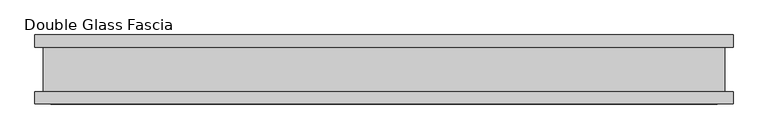
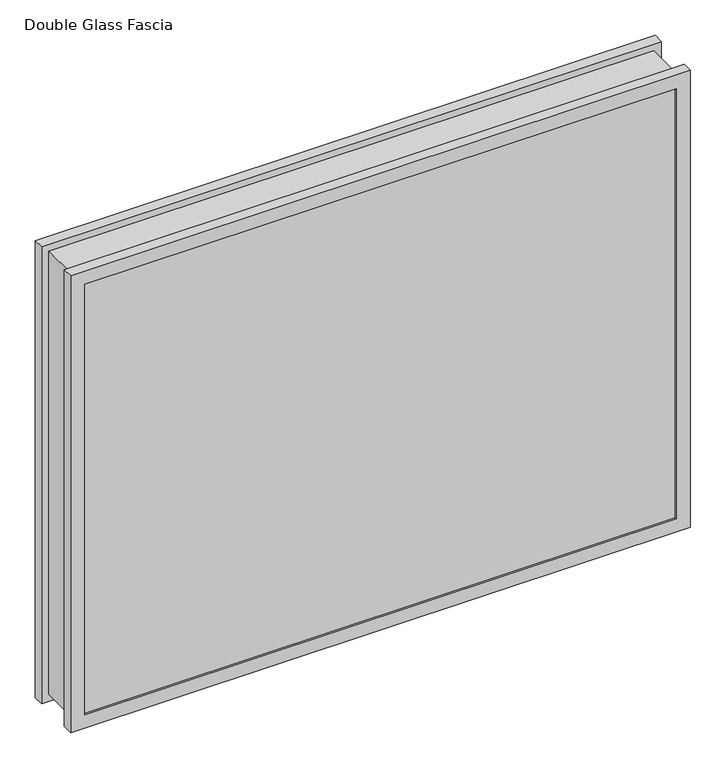
"""IFC4 building model written with IfcOpenShell, lengths in millimetres: proxy geometry, Double Glass Fascia."""

import ifcopenshell
import ifcopenshell.guid

model = None  # the IFC model being written
_history = None  # IfcOwnerHistory: only IFC2X3 demands one
_inside = {}  # id of a spatial element -> (the spatial element, [elements in it])
_under = {}  # id of a project, library or spatial element -> (it, [spatial elements below it])
_declared = {}  # id of a project -> (the project, [libraries it declares])
_typed = {}  # id of a type object -> (the type object, [elements of that type])
_made_of = {}  # id of a material, layer set ... -> (it, [elements and type objects made of it])


def new_model(schema):
    """Start an empty IFC model of exactly this schema.

    Asked for "IFC4X3", IfcOpenShell would pick the latest addendum, in which some entities
    have other attributes; the version numbers below select the first issue.
    IFC2X3 requires an IfcOwnerHistory on every rooted entity: one is made here for all.
    """
    global model, _history
    if schema == "IFC4X3":
        model = ifcopenshell.file(schema_version=(4, 3, 0, 0))
    else:
        model = ifcopenshell.file(schema=schema)
    _inside.clear()
    _under.clear()
    _declared.clear()
    _typed.clear()
    _made_of.clear()
    _history = None
    if model.schema == "IFC2X3":
        org = make("IfcOrganization", Name="unknown")
        user = make(
            "IfcPersonAndOrganization",
            ThePerson=make("IfcPerson", FamilyName="unknown"),
            TheOrganization=org,
        )
        app = make(
            "IfcApplication",
            ApplicationDeveloper=org,
            Version="unknown",
            ApplicationFullName="unknown",
            ApplicationIdentifier="unknown",
        )
        _history = make(
            "IfcOwnerHistory",
            OwningUser=user,
            OwningApplication=app,
            ChangeAction="ADDED",
            CreationDate=0,
        )
    return model


def make(cls, **values):
    """One entity of the class cls with the attributes given. An attribute that is None is left unset."""
    return model.create_entity(
        cls, **{name: value for name, value in values.items() if value is not None}
    )


def rooted(cls, **values):
    """An entity with a GlobalId (a new one), such as an element, a storey or a relation."""
    return make(cls, GlobalId=ifcopenshell.guid.new(), OwnerHistory=_history, **values)


def si_unit(unit_type, name, prefix=None):
    """IfcSIUnit, for example si_unit("LENGTHUNIT", "METRE", prefix="MILLI")."""
    return make("IfcSIUnit", UnitType=unit_type, Prefix=prefix, Name=name)


def assignment(units):
    """IfcUnitAssignment: the units of a project."""
    return None if units is None else make("IfcUnitAssignment", Units=units)


def point(xyz):
    """IfcCartesianPoint."""
    return None if xyz is None else make("IfcCartesianPoint", Coordinates=xyz)


def direction(xyz):
    """IfcDirection."""
    return None if xyz is None else make("IfcDirection", DirectionRatios=xyz)


def frame(location, z_axis=None, x_axis=None):
    """IfcAxis2Placement3D, a coordinate frame: its origin and axes. An axis left out is left unset."""
    return make(
        "IfcAxis2Placement3D",
        Location=point(location),
        Axis=direction(z_axis),
        RefDirection=direction(x_axis),
    )


def origin():
    """The frame at (0, 0, 0) with its axes left unset."""
    return frame((0.0, 0.0, 0.0))


def place(relative_to, where):
    """IfcLocalPlacement: puts the frame where relative to a parent placement (None: the world)."""
    return make(
        "IfcLocalPlacement", PlacementRelTo=relative_to, RelativePlacement=where
    )


def context(
    kind, dimensions, precision=None, world=None, true_north=None, identifier=None
):
    """IfcGeometricRepresentationContext, for example the 3D "Model" context."""
    return make(
        "IfcGeometricRepresentationContext",
        ContextIdentifier=identifier,
        ContextType=kind,
        CoordinateSpaceDimension=dimensions,
        Precision=precision,
        WorldCoordinateSystem=world,
        TrueNorth=true_north,
    )


def project(units=None, contexts=None):
    """IfcProject with its units and contexts."""
    return rooted(
        "IfcProject",
        Name="project",
        RepresentationContexts=contexts,
        UnitsInContext=assignment(units),
    )


def spatial(cls, under=None, at=None, **own):
    """A site, building, storey or space (cls), placed at a placement, below another one or the project."""
    s = rooted(cls, ObjectPlacement=at, **own)
    if under is not None:
        _under.setdefault(under.id(), (under, []))[1].append(s)
    return s


def polyline(points):
    """IfcPolyline through the points."""
    return make("IfcPolyline", Points=[point(p) for p in points])


def outline(outer, holes=None, kind="AREA"):
    """IfcArbitraryClosedProfileDef: a profile drawn as a closed curve; with holes, ...WithVoids."""
    if holes is None:
        return make("IfcArbitraryClosedProfileDef", ProfileType=kind, OuterCurve=outer)
    return make(
        "IfcArbitraryProfileDefWithVoids",
        ProfileType=kind,
        OuterCurve=outer,
        InnerCurves=holes,
    )


def extrude(swept, where, along, depth):
    """IfcExtrudedAreaSolid: the profile swept, set in the frame where, extruded along a direction by depth."""
    return make(
        "IfcExtrudedAreaSolid",
        SweptArea=swept,
        Position=where,
        ExtrudedDirection=direction(along),
        Depth=depth,
    )


def faces_of(points, faces, orient=None, outer=None):
    """IfcFace entities. A face is a list of loops; a loop is a list of indices into points, from 0.

    orient and outer hold one flag for each loop. By default every Orientation is true, the
    first loop of a face is its IfcFaceOuterBound and the others are IfcFaceBound.
    """
    made = []
    for i, loops in enumerate(faces):
        bounds = []
        for j, loop in enumerate(loops):
            is_outer = j == 0 if outer is None else outer[i][j]
            bounds.append(
                make(
                    "IfcFaceOuterBound" if is_outer else "IfcFaceBound",
                    Bound=make("IfcPolyLoop", Polygon=[points[k] for k in loop]),
                    Orientation=True if orient is None else orient[i][j],
                )
            )
        made.append(make("IfcFace", Bounds=bounds))
    return made


def faceted_brep(points, faces, orient=None, outer=None, voids=None):
    """IfcFacetedBrep: a solid bounded by flat faces; with voids (closed shells), ...WithVoids."""
    shared = [point(p) for p in points]
    hull = make("IfcClosedShell", CfsFaces=faces_of(shared, faces, orient, outer))
    if voids is None:
        return make("IfcFacetedBrep", Outer=hull)
    return make(
        "IfcFacetedBrepWithVoids",
        Outer=hull,
        Voids=[
            make(cls, CfsFaces=faces_of(shared, fs, o, b)) for cls, fs, o, b in voids
        ],
    )


def shape(context_of_items, identifier, shape_type, items):
    """IfcShapeRepresentation: the items that make up one representation, for example the "Body"."""
    return make(
        "IfcShapeRepresentation",
        ContextOfItems=context_of_items,
        RepresentationIdentifier=identifier,
        RepresentationType=shape_type,
        Items=items,
    )


def source(mapping_origin, context_of_items, identifier, shape_type, items):
    """IfcRepresentationMap: a shape defined once, which mapped items show again and again."""
    return make(
        "IfcRepresentationMap",
        MappingOrigin=mapping_origin,
        MappedRepresentation=shape(context_of_items, identifier, shape_type, items),
    )


def transform(
    local_origin,
    x_axis=None,
    y_axis=None,
    z_axis=None,
    scale=None,
    scale2=None,
    scale3=None,
    uniform=True,
):
    """IfcCartesianTransformationOperator3D, or its non-uniform kind. x_axis, y_axis, z_axis: its Axis1, 2, 3."""
    if uniform:
        return make(
            "IfcCartesianTransformationOperator3D",
            Axis1=direction(x_axis),
            Axis2=direction(y_axis),
            LocalOrigin=point(local_origin),
            Scale=scale,
            Axis3=direction(z_axis),
        )
    return make(
        "IfcCartesianTransformationOperator3DnonUniform",
        Axis1=direction(x_axis),
        Axis2=direction(y_axis),
        LocalOrigin=point(local_origin),
        Scale=scale,
        Axis3=direction(z_axis),
        Scale2=scale2,
        Scale3=scale3,
    )


def mapped(mapping_source, mapping_target):
    """IfcMappedItem: shows the shape of a source again, moved by a transform."""
    return make(
        "IfcMappedItem", MappingSource=mapping_source, MappingTarget=mapping_target
    )


def made_of(thing, what):
    """Note that an element or type object is made of a material, layer set ...; save() writes the relation."""
    if what is not None:
        _made_of.setdefault(what.id(), (what, []))[1].append(thing)
    return thing


def element(
    cls,
    number,
    at=None,
    inside=None,
    cuts=None,
    type_object=None,
    material=None,
    context=None,
    identifier="Body",
    shape_type=None,
    held_by="IfcProductDefinitionShape",
    body=None,
    shapes=None,
    **own,
):
    """One element of the class cls, such as IfcWall. Its Tag is "e" and its number.

    at: its placement. inside: the storey or other place that contains it. cuts: it is an
    opening in that element (IfcRelVoidsElement). A single representation is given by context,
    identifier, shape_type and body (its items); several are given by shapes. held_by: the class
    of the entity that holds the representations. save() writes the other relations.
    """
    e = rooted(cls, Tag="e%d" % number, ObjectPlacement=at, **own)
    if body is not None:
        shapes = [shape(context, identifier, shape_type, body)]
    if shapes is not None:
        e.Representation = make(held_by, Representations=shapes)
    if inside is not None:
        _inside.setdefault(inside.id(), (inside, []))[1].append(e)
    if cuts is not None:
        rooted(
            "IfcRelVoidsElement", RelatingBuildingElement=cuts, RelatedOpeningElement=e
        )
    if type_object is not None:
        _typed.setdefault(type_object.id(), (type_object, []))[1].append(e)
    return made_of(e, material)


def aggregate(whole, parts):
    """IfcRelAggregates: a whole, such as a stair, and the parts it consists of."""
    return rooted("IfcRelAggregates", RelatingObject=whole, RelatedObjects=parts)


def save(model, path):
    """Write the relations noted so far, then the file.

    IfcRelAggregates (storeys below a building ...), IfcRelContainedInSpatialStructure (elements
    in a storey), IfcRelDefinesByType, IfcRelAssociatesMaterial and IfcRelDeclares: one each for
    every whole, place, type object, material and project.
    """
    for whole, parts in _under.values():
        aggregate(whole, parts)
    for where, things in _inside.values():
        rooted(
            "IfcRelContainedInSpatialStructure",
            RelatedElements=things,
            RelatingStructure=where,
        )
    for kind, things in _typed.values():
        rooted("IfcRelDefinesByType", RelatedObjects=things, RelatingType=kind)
    for what, things in _made_of.values():
        rooted("IfcRelAssociatesMaterial", RelatedObjects=things, RelatingMaterial=what)
    for by, libraries in _declared.values():
        rooted("IfcRelDeclares", RelatingContext=by, RelatedDefinitions=libraries)
    model.write(path)


def double_glass_fascia_690a2571(model_context):
    return source(origin(), model_context, "Body", "SolidModel", [
        faceted_brep([(494.2640848, -32.4352299, 780.4920849), (494.2640848, -32.4352299, 15.0359151), (494.2640848, 32.4352299, 15.0359151), (494.2640848, 32.4352299, 780.4920849), (-494.2640848, -32.4352299, 15.0359151), (-494.2640848, 32.4352299, 15.0359151), (-494.2640848, -32.4352299, 780.4920849), (-494.2640848, 32.4352299, 780.4920849), (483.0871999, 38.8962152, 769.3152), (483.0871999, 38.8962152, 26.2128), (483.0871999, -38.8962152, 26.2128), (483.0871999, -38.8962152, 769.3152), (499.8218392, 47.1322551, 786.0498392), (499.8218392, 47.1322551, 9.4781608), (499.8218392, 38.8962152, 9.4781608), (499.8218392, 38.8962152, 786.0498392), (482.9093999, 50.0558594, 769.1374), (482.9093999, 50.0558594, 26.3906), (482.9093999, 47.1322551, 26.3906), (482.9093999, 47.1322551, 769.1374), (506.1249999, 32.4352299, 792.353), (506.1249999, 32.4352299, 3.175), (506.1249999, 50.0558594, 3.175), (506.1249999, 50.0558594, 792.353), (-483.0871999, 38.8962152, 26.2128), (-483.0871999, -38.8962152, 26.2128), (-499.8218392, 47.1322551, 9.4781608), (-499.8218392, 38.8962152, 9.4781608), (-482.9093999, 50.0558594, 26.3906), (-482.9093999, 47.1322551, 26.3906), (-506.1249999, 32.4352299, 3.175), (-506.1249999, 50.0558594, 3.175), (-483.0871999, 38.8962152, 769.3152), (-483.0871999, -38.8962152, 769.3152), (-499.8218392, 47.1322551, 786.0498392), (-499.8218392, 38.8962152, 786.0498392), (-482.9093999, 50.0558594, 769.1374), (-482.9093999, 47.1322551, 769.1374), (-506.1249999, 32.4352299, 792.353), (-506.1249999, 50.0558594, 792.353), (506.1249999, -50.0558594, 792.353), (506.1249999, -50.0558594, 3.175), (506.1249999, -32.4352299, 3.175), (506.1249999, -32.4352299, 792.353), (483.0871999, -47.1322551, 769.3152), (483.0871999, -47.1322551, 26.2128), (483.0871999, -50.0558594, 26.2128), (483.0871999, -50.0558594, 769.3152), (499.8218392, -38.8962152, 786.0498392), (499.8218392, -38.8962152, 9.4781608), (499.8218392, -47.1322551, 9.4781608), (499.8218392, -47.1322551, 786.0498392), (-506.1249999, -50.0558594, 3.175), (-506.1249999, -32.4352299, 3.175), (-483.0871999, -47.1322551, 26.2128), (-483.0871999, -50.0558594, 26.2128), (-499.8218392, -38.8962152, 9.4781608), (-499.8218392, -47.1322551, 9.4781608), (-506.1249999, -50.0558594, 792.353), (-506.1249999, -32.4352299, 792.353), (-483.0871999, -47.1322551, 769.3152), (-483.0871999, -50.0558594, 769.3152), (-499.8218392, -38.8962152, 786.0498392), (-499.8218392, -47.1322551, 786.0498392)], [[[0, 1, 2, 3]], [[1, 4, 5, 2]], [[4, 6, 7, 5]], [[6, 0, 3, 7]], [[8, 9, 10, 11]], [[12, 13, 14, 15]], [[16, 17, 18, 19]], [[20, 21, 22, 23]], [[9, 24, 25, 10]], [[13, 26, 27, 14]], [[17, 28, 29, 18]], [[21, 30, 31, 22]], [[24, 32, 33, 25]], [[26, 34, 35, 27]], [[28, 36, 37, 29]], [[30, 38, 39, 31]], [[32, 8, 11, 33]], [[15, 14, 27, 35], [9, 8, 32, 24]], [[34, 12, 15, 35]], [[13, 12, 34, 26], [19, 18, 29, 37]], [[36, 16, 19, 37]], [[23, 22, 31, 39], [17, 16, 36, 28]], [[38, 20, 23, 39]], [[21, 20, 38, 30], [3, 2, 5, 7]], [[40, 41, 42, 43]], [[44, 45, 46, 47]], [[48, 49, 50, 51]], [[41, 52, 53, 42]], [[45, 54, 55, 46]], [[49, 56, 57, 50]], [[52, 58, 59, 53]], [[54, 60, 61, 55]], [[56, 62, 63, 57]], [[43, 42, 53, 59], [1, 0, 6, 4]], [[58, 40, 43, 59]], [[41, 40, 58, 52], [47, 46, 55, 61]], [[60, 44, 47, 61]], [[51, 50, 57, 63], [45, 44, 60, 54]], [[62, 48, 51, 63]], [[49, 48, 62, 56], [11, 10, 25, 33]]]),
        extrude(outline(polyline([(495.3, 40.9277344), (-495.3, 40.9277344), (-495.3, 46.8808594), (495.3, 46.8808594), (495.3, 40.9277344)])), frame((0.0, 0.0, 5.3275263), z_axis=(0.0, 0.0, 1.0), x_axis=(1.0, 0.0, 0.0)), (0.0, 0.0, 1.0), 784.378928),
        extrude(outline(polyline([(495.3, -41.1791301), (495.3, -47.1322551), (-495.3, -47.1322551), (-495.3, -41.1791301), (495.3, -41.1791301)])), frame((0.0, 0.0, 5.3275263), z_axis=(0.0, 0.0, 1.0), x_axis=(1.0, 0.0, 0.0)), (0.0, 0.0, 1.0), 784.378928),
    ])


if __name__ == "__main__":
    model = new_model("IFC4")
    model_context = context("Model", 3, world=origin())
    ifc_project = project(units=[si_unit("LENGTHUNIT", "METRE", prefix="MILLI")], contexts=[model_context])
    site = spatial("IfcSite", under=ifc_project)
    building = spatial("IfcBuilding", under=site)
    placement = place(None, origin())
    double_glass_fascia_shape = double_glass_fascia_690a2571(model_context)
    element("IfcBuildingElementProxy", 1, Name="Double Glass Fascia", ObjectType="Double Glass Fascia", at=placement, inside=building, context=model_context, shape_type="MappedRepresentation", body=[
        mapped(double_glass_fascia_shape, transform((0.0, 0.0, 0.0), x_axis=(1.0, 0.0, 0.0), y_axis=(0.0, 1.0, 0.0), z_axis=(0.0, 0.0, 1.0))),
    ])
    save(model, "model.ifc")
